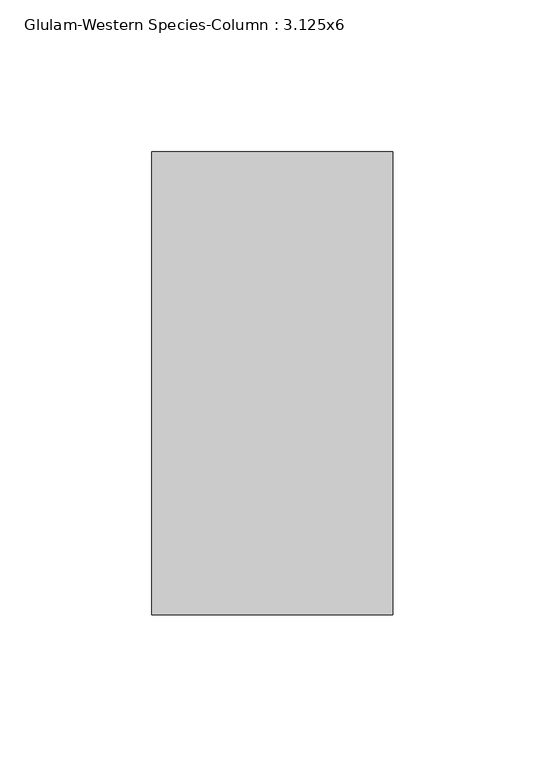
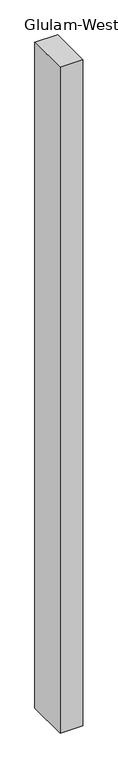
"""IFC4 building model written with IfcOpenShell, lengths in millimetres: column geometry, Glulam-Western Species-Column : 3.125x6."""

from ifc_helpers import new_model, si_unit, frame, origin, place, context, project, spatial, polyline, outline, extrude, source, transform, mapped, element, save


def glulam_western_species_column_3_125x6_387b3008(model_context):
    return source(origin(), model_context, "Body", "SweptSolid", [
        extrude(outline(polyline([(39.6875, 76.2), (39.6875, -76.2), (-39.6875, -76.2), (-39.6875, 76.2), (39.6875, 76.2)])), frame((0.0, 0.0, -2825.75), z_axis=(0.0, 0.0, 1.0), x_axis=(1.0, 0.0, 0.0)), (0.0, 0.0, 1.0), 2466.975),
    ])


if __name__ == "__main__":
    model = new_model("IFC4")
    model_context = context("Model", 3, world=origin())
    ifc_project = project(units=[si_unit("LENGTHUNIT", "METRE", prefix="MILLI")], contexts=[model_context])
    site = spatial("IfcSite", under=ifc_project)
    building = spatial("IfcBuilding", under=site)
    placement = place(None, origin())
    glulam_western_species_column_3_125x6_shape = glulam_western_species_column_3_125x6_387b3008(model_context)
    element("IfcColumn", 1, ObjectType="Glulam-Western Species-Column : 3.125x6", at=placement, inside=building, context=model_context, shape_type="MappedRepresentation", body=[
        mapped(glulam_western_species_column_3_125x6_shape, transform((0.0, 0.0, 0.0), x_axis=(1.0, 0.0, 0.0), y_axis=(0.0, 1.0, 0.0), z_axis=(0.0, 0.0, 1.0))),
    ])
    save(model, "model.ifc")
